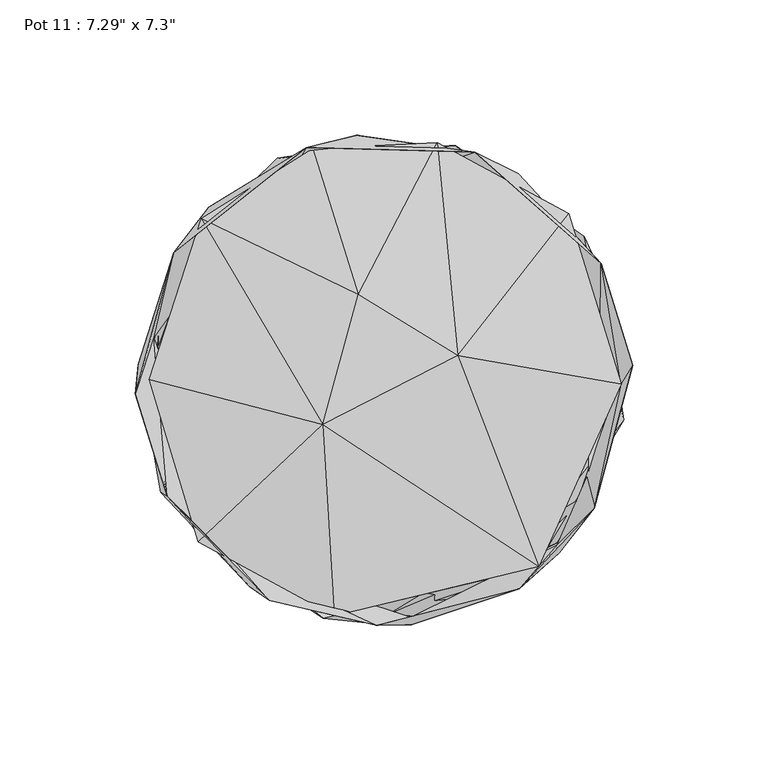
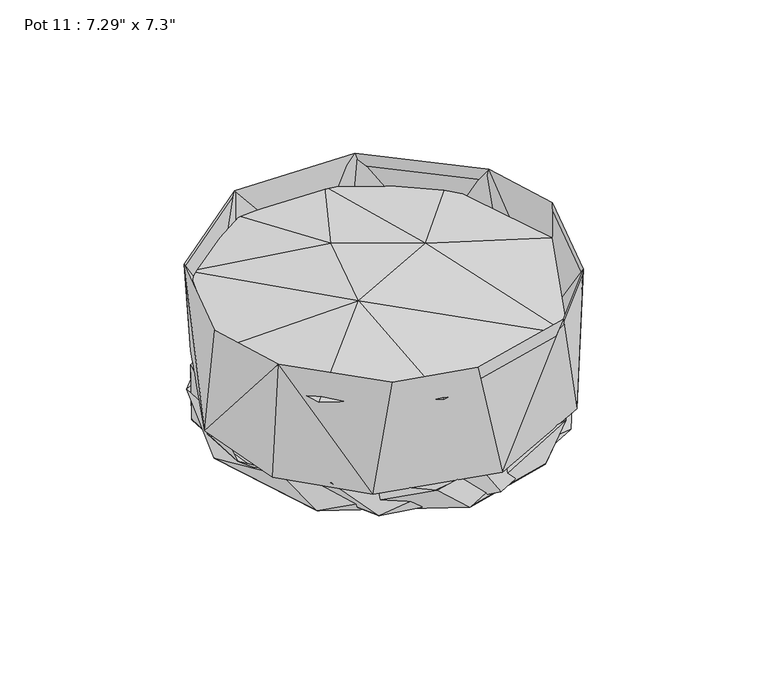
"""IFC4 building model written with IfcOpenShell, lengths in millimetres: furniture geometry."""

from ifc_helpers import new_model, si_unit, origin, place, context, project, spatial, triangles, source, transform, mapped, element, save


def furniture_a068cc64(model_context):
    return source(origin(), model_context, "Body", "Tessellation", [
        triangles([(57.0165507, -68.7592614, 62.9186568), (27.2717479, 8.9831947, 76.8979498), (-22.5862871, -16.3977739, 77.6124138), (-86.7618281, 0.2198219, 63.2353117), (-67.540227, 59.5431906, 63.8144688), (-9.5295305, 31.5116054, 76.02705), (87.5469455, -1.3883113, 65.1062822), (68.2381404, 61.3974924, 62.6000171), (19.6717371, 87.6581669, 63.0564073), (-26.3591401, 85.5326607, 64.0681233), (-68.5460568, -59.8014007, 63.7402682), (-18.444181, -87.000013, 64.2929824)], [[1, 2, 3], [4, 3, 5], [3, 2, 6], [3, 6, 5], [7, 8, 2], [2, 9, 6], [2, 8, 9], [6, 10, 5], [6, 9, 10], [11, 12, 3], [11, 3, 4], [12, 1, 3], [1, 7, 2]], closed=False),
        triangles([(-46.0354668, -75.5756513, 2.3905878), (1.4936925, -86.4692315, 18.1617627), (11.3233925, -87.255121, 2.60434), (-63.1484983, -61.6059326, 18.1617627), (88.363529, -2.4305583, 2.4300346), (17.5104137, 86.7135479, 2.4024126), (-81.8405169, 32.9879528, 2.4954781), (-85.9973398, -15.8874989, 10.3219865), (-22.5156542, -88.0805248, 15.9668329), (-6.4163206, -89.6335823, 1.7865213), (55.8469909, -69.3877932, 15.9668329), (-68.329096, -57.489337, 1.9952184), (-78.0307022, -42.9490227, 15.9668329), (-87.3442871, 3.1679869, 0.9321443), (40.9157257, -76.1685384, 0.8881844), (63.5770559, -60.38916, 2.7422682), (75.6314391, -41.9418803, 18.1617627), (80.4679353, 38.3290649, 1.6213328), (88.4218194, -14.7204996, 11.3149219), (-12.4715566, 86.1145838, 0.8313161), (-78.0536568, 44.0745354, 11.3149219), (75.3783568, 44.342397, 10.3219865), (-71.6357846, 51.4912611, 18.1617627), (73.8654132, 53.0007484, 15.9668329), (-30.5787317, 81.9324808, 10.3218956), (-39.367855, 81.9466696, 15.9668329), (38.2704747, 79.4888163, 18.1617627), (26.3888235, 86.5688348, 12.7004307)], [[1, 2, 3], [1, 4, 2], [1, 3, 5], [1, 5, 6], [1, 6, 7], [1, 7, 8], [1, 8, 4], [9, 10, 11], [9, 12, 10], [9, 13, 12], [10, 12, 14], [10, 14, 15], [10, 15, 11], [2, 16, 3], [2, 17, 16], [3, 16, 5], [15, 18, 19], [15, 14, 20], [15, 20, 18], [15, 19, 11], [12, 13, 14], [16, 17, 5], [13, 21, 14], [17, 22, 5], [8, 7, 23], [5, 22, 6], [19, 18, 24], [14, 21, 20], [7, 6, 25], [7, 25, 23], [21, 26, 20], [22, 27, 6], [18, 28, 24], [18, 20, 28], [26, 28, 20], [25, 6, 27]], closed=False),
        triangles([(-10.1212266, 90.3744073, 15.9683419), (33.5597407, 84.2164711, 78.9173759), (49.6211627, 76.2883394, 15.9683419), (20.7656611, 85.7547493, 18.1738339), (-28.7308703, 85.9277856, 78.909246), (80.0799685, 43.0249583, 78.8315345), (-49.6187827, -76.2892387, 15.9683419), (10.1230149, -90.374589, 15.9683419), (-2.7306081, -90.615926, 78.9190019), (-42.3974984, -81.429123, 78.9173759), (-80.0789602, -43.0254942, 78.8313528), (-82.4677315, -41.5433036, 15.9683419), (9.8174217, -87.685409, 18.1738339), (-56.0517885, -65.8079381, 18.1738339), (49.9622801, -77.0626109, 78.8922866), (63.8839004, -60.8605747, 18.1738339), (64.7084731, -63.8783593, 15.9683419), (-85.0169037, 15.6384111, 18.1738339), (77.532713, -47.3342519, 78.8207884), (88.0584695, -5.5577157, 18.1738339), (88.9365681, 5.2227377, 15.9683419), (-90.7588588, 5.7250264, 15.9683419), (91.7207641, 5.4305194, 78.8516641), (71.0298441, 52.3441433, 18.1738339), (-91.7618862, -5.2369237, 78.8128492), (-77.6489395, 47.0524423, 78.8161921), (-64.7075193, 63.8780595, 15.9683419), (-39.2142534, 79.0396886, 18.1738339)], [[1, 2, 3], [4, 2, 5], [3, 2, 6], [7, 8, 9], [7, 9, 10], [7, 10, 11], [7, 11, 12], [13, 14, 9], [13, 9, 15], [13, 15, 16], [8, 17, 15], [8, 15, 9], [14, 10, 9], [14, 11, 10], [14, 18, 11], [16, 15, 19], [16, 19, 20], [17, 19, 15], [17, 21, 19], [12, 11, 22], [20, 19, 23], [20, 23, 6], [20, 6, 24], [22, 11, 25], [22, 25, 26], [22, 26, 27], [18, 26, 25], [18, 25, 11], [18, 28, 26], [21, 23, 19], [21, 6, 23], [21, 3, 6], [27, 5, 1], [27, 26, 5], [24, 2, 4], [24, 6, 2], [28, 5, 26], [28, 4, 5], [1, 5, 2]], closed=False),
    ])


if __name__ == "__main__":
    model = new_model("IFC4")
    model_context = context("Model", 3, world=origin())
    ifc_project = project(units=[si_unit("LENGTHUNIT", "METRE", prefix="MILLI")], contexts=[model_context])
    site = spatial("IfcSite", under=ifc_project)
    building = spatial("IfcBuilding", under=site)
    placement = place(None, origin())
    furniture_shape = furniture_a068cc64(model_context)
    element("IfcFurniture", 1, ObjectType="Pot 11 : 7.29\" x 7.3\"", at=placement, inside=building, context=model_context, shape_type="MappedRepresentation", body=[
        mapped(furniture_shape, transform((0.0, 0.0, 0.0), x_axis=(1.0, 0.0, 0.0), y_axis=(0.0, 1.0, 0.0), z_axis=(0.0, 0.0, 1.0))),
    ])
    save(model, "model.ifc")
